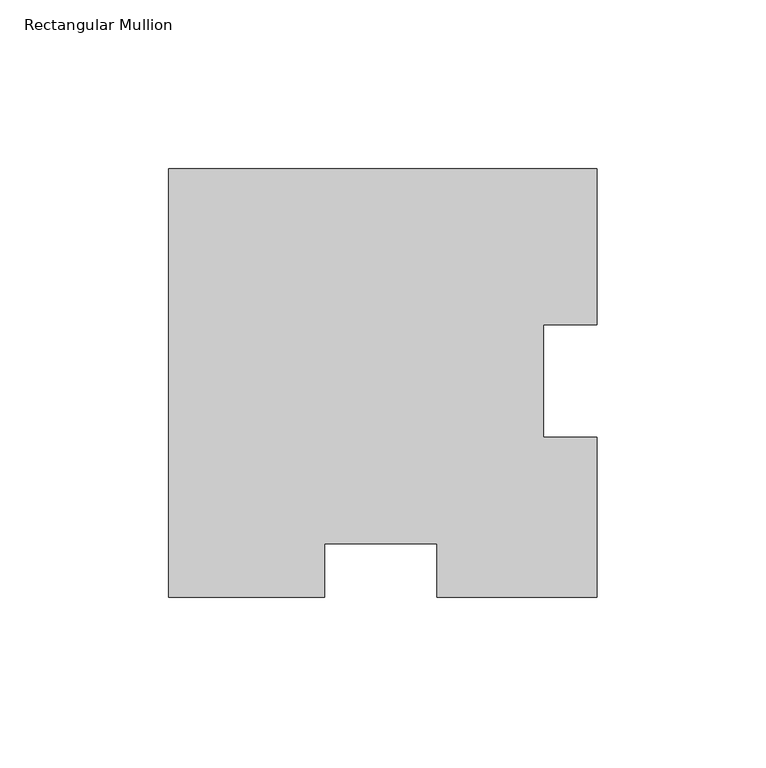
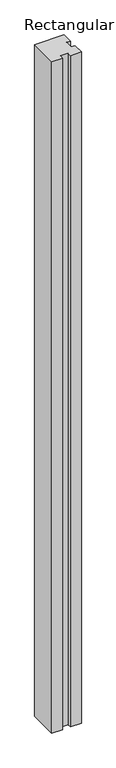
"""IFC4 building model written with IfcOpenShell, lengths in millimetres: member geometry, Rectangular Mullion."""

from ifc_helpers import new_model, si_unit, frame, origin, place, context, project, spatial, polyline, outline, extrude, source, transform, mapped, element, save


def rectangular_mullion_57ab1cfe(model_context):
    return source(origin(), model_context, "Body", "SweptSolid", [
        extrude(outline(polyline([(-80.8187346, -63.5), (-127.0, -63.5), (-127.0, 63.5), (0.0, 63.5), (0.0, 17.3187346), (-15.875, 17.3187346), (-15.875, -16.0406112), (0.0, -16.0406112), (0.0, -63.5), (-47.4593888, -63.5), (-47.4593888, -47.625), (-80.8187346, -47.625), (-80.8187346, -63.5)])), frame((0.0, 0.0, -3048.0), z_axis=(0.0, 0.0, 1.0), x_axis=(1.0, 0.0, 0.0)), (0.0, 0.0, 1.0), 3048.0),
    ])


if __name__ == "__main__":
    model = new_model("IFC4")
    model_context = context("Model", 3, world=origin())
    ifc_project = project(units=[si_unit("LENGTHUNIT", "METRE", prefix="MILLI")], contexts=[model_context])
    site = spatial("IfcSite", under=ifc_project)
    building = spatial("IfcBuilding", under=site)
    placement = place(None, origin())
    rectangular_mullion_shape = rectangular_mullion_57ab1cfe(model_context)
    element("IfcMember", 1, ObjectType="Rectangular Mullion", at=placement, inside=building, context=model_context, shape_type="MappedRepresentation", body=[
        mapped(rectangular_mullion_shape, transform((0.0, 0.0, 0.0), x_axis=(1.0, 0.0, 0.0), y_axis=(0.0, 1.0, 0.0), z_axis=(0.0, 0.0, 1.0))),
    ])
    save(model, "model.ifc")
